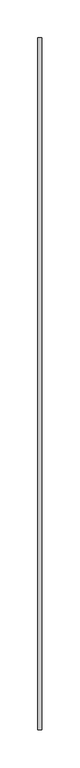
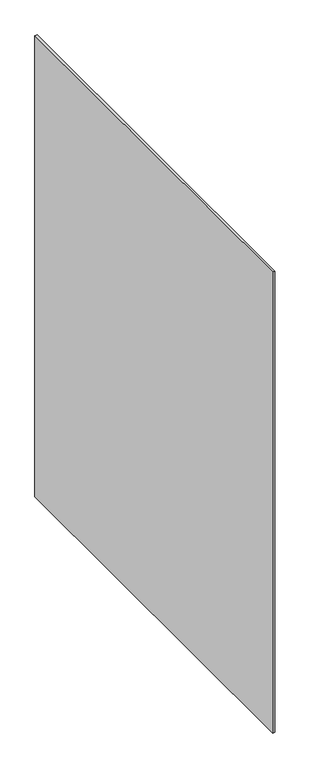
"""IFC4 building model written with IfcOpenShell, lengths in millimetres: proxy geometry."""

from ifc_helpers import new_model, si_unit, frame, origin, place, context, project, spatial, polyline, outline, extrude, source, transform, mapped, element, save


def generic_models_c01ce5ca(model_context):
    return source(origin(), model_context, "Body", "SweptSolid", [
        extrude(outline(polyline([(37921.4483605, -24888.3779893), (37916.4483605, -24888.3779893), (37916.4483605, -23977.1529893), (37921.4483605, -23977.1529893), (37921.4483605, -24888.3779893)])), frame((0.0, 0.0, 4559.4008789), z_axis=(0.0, 0.0, 1.0), x_axis=(1.0, 0.0, 0.0)), (0.0, 0.0, 1.0), 1079.3991211),
    ])


if __name__ == "__main__":
    model = new_model("IFC4")
    model_context = context("Model", 3, world=origin())
    ifc_project = project(units=[si_unit("LENGTHUNIT", "METRE", prefix="MILLI")], contexts=[model_context])
    site = spatial("IfcSite", under=ifc_project)
    building = spatial("IfcBuilding", under=site)
    placement = place(None, origin())
    generic_models_shape = generic_models_c01ce5ca(model_context)
    element("IfcBuildingElementProxy", 1, Name="Generic Models", at=placement, inside=building, context=model_context, shape_type="MappedRepresentation", body=[
        mapped(generic_models_shape, transform((0.0, 0.0, 0.0), x_axis=(1.0, 0.0, 0.0), y_axis=(0.0, 1.0, 0.0), z_axis=(0.0, 0.0, 1.0))),
    ])
    save(model, "model.ifc")
